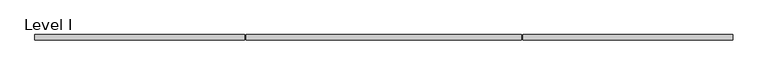
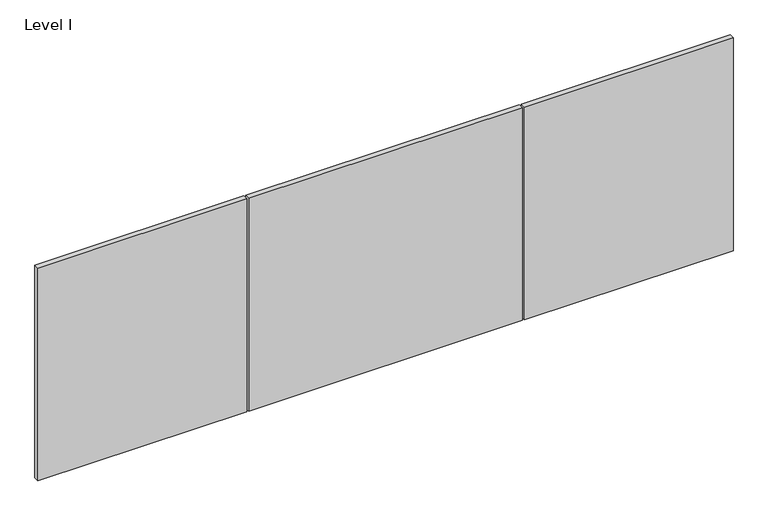
"""IFC4 building model written with IfcOpenShell, lengths in millimetres: proxy geometry, Level I."""

import ifcopenshell
import ifcopenshell.guid

model = None  # the IFC model being written
_history = None  # IfcOwnerHistory: only IFC2X3 demands one
_inside = {}  # id of a spatial element -> (the spatial element, [elements in it])
_under = {}  # id of a project, library or spatial element -> (it, [spatial elements below it])
_declared = {}  # id of a project -> (the project, [libraries it declares])
_typed = {}  # id of a type object -> (the type object, [elements of that type])
_made_of = {}  # id of a material, layer set ... -> (it, [elements and type objects made of it])


def new_model(schema):
    """Start an empty IFC model of exactly this schema.

    Asked for "IFC4X3", IfcOpenShell would pick the latest addendum, in which some entities
    have other attributes; the version numbers below select the first issue.
    IFC2X3 requires an IfcOwnerHistory on every rooted entity: one is made here for all.
    """
    global model, _history
    if schema == "IFC4X3":
        model = ifcopenshell.file(schema_version=(4, 3, 0, 0))
    else:
        model = ifcopenshell.file(schema=schema)
    _inside.clear()
    _under.clear()
    _declared.clear()
    _typed.clear()
    _made_of.clear()
    _history = None
    if model.schema == "IFC2X3":
        org = make("IfcOrganization", Name="unknown")
        user = make(
            "IfcPersonAndOrganization",
            ThePerson=make("IfcPerson", FamilyName="unknown"),
            TheOrganization=org,
        )
        app = make(
            "IfcApplication",
            ApplicationDeveloper=org,
            Version="unknown",
            ApplicationFullName="unknown",
            ApplicationIdentifier="unknown",
        )
        _history = make(
            "IfcOwnerHistory",
            OwningUser=user,
            OwningApplication=app,
            ChangeAction="ADDED",
            CreationDate=0,
        )
    return model


def make(cls, **values):
    """One entity of the class cls with the attributes given. An attribute that is None is left unset."""
    return model.create_entity(
        cls, **{name: value for name, value in values.items() if value is not None}
    )


def rooted(cls, **values):
    """An entity with a GlobalId (a new one), such as an element, a storey or a relation."""
    return make(cls, GlobalId=ifcopenshell.guid.new(), OwnerHistory=_history, **values)


def si_unit(unit_type, name, prefix=None):
    """IfcSIUnit, for example si_unit("LENGTHUNIT", "METRE", prefix="MILLI")."""
    return make("IfcSIUnit", UnitType=unit_type, Prefix=prefix, Name=name)


def assignment(units):
    """IfcUnitAssignment: the units of a project."""
    return None if units is None else make("IfcUnitAssignment", Units=units)


def point(xyz):
    """IfcCartesianPoint."""
    return None if xyz is None else make("IfcCartesianPoint", Coordinates=xyz)


def direction(xyz):
    """IfcDirection."""
    return None if xyz is None else make("IfcDirection", DirectionRatios=xyz)


def frame(location, z_axis=None, x_axis=None):
    """IfcAxis2Placement3D, a coordinate frame: its origin and axes. An axis left out is left unset."""
    return make(
        "IfcAxis2Placement3D",
        Location=point(location),
        Axis=direction(z_axis),
        RefDirection=direction(x_axis),
    )


def origin():
    """The frame at (0, 0, 0) with its axes left unset."""
    return frame((0.0, 0.0, 0.0))


def place(relative_to, where):
    """IfcLocalPlacement: puts the frame where relative to a parent placement (None: the world)."""
    return make(
        "IfcLocalPlacement", PlacementRelTo=relative_to, RelativePlacement=where
    )


def context(
    kind, dimensions, precision=None, world=None, true_north=None, identifier=None
):
    """IfcGeometricRepresentationContext, for example the 3D "Model" context."""
    return make(
        "IfcGeometricRepresentationContext",
        ContextIdentifier=identifier,
        ContextType=kind,
        CoordinateSpaceDimension=dimensions,
        Precision=precision,
        WorldCoordinateSystem=world,
        TrueNorth=true_north,
    )


def project(units=None, contexts=None):
    """IfcProject with its units and contexts."""
    return rooted(
        "IfcProject",
        Name="project",
        RepresentationContexts=contexts,
        UnitsInContext=assignment(units),
    )


def spatial(cls, under=None, at=None, **own):
    """A site, building, storey or space (cls), placed at a placement, below another one or the project."""
    s = rooted(cls, ObjectPlacement=at, **own)
    if under is not None:
        _under.setdefault(under.id(), (under, []))[1].append(s)
    return s


def polyline(points):
    """IfcPolyline through the points."""
    return make("IfcPolyline", Points=[point(p) for p in points])


def outline(outer, holes=None, kind="AREA"):
    """IfcArbitraryClosedProfileDef: a profile drawn as a closed curve; with holes, ...WithVoids."""
    if holes is None:
        return make("IfcArbitraryClosedProfileDef", ProfileType=kind, OuterCurve=outer)
    return make(
        "IfcArbitraryProfileDefWithVoids",
        ProfileType=kind,
        OuterCurve=outer,
        InnerCurves=holes,
    )


def extrude(swept, where, along, depth):
    """IfcExtrudedAreaSolid: the profile swept, set in the frame where, extruded along a direction by depth."""
    return make(
        "IfcExtrudedAreaSolid",
        SweptArea=swept,
        Position=where,
        ExtrudedDirection=direction(along),
        Depth=depth,
    )


def shape(context_of_items, identifier, shape_type, items):
    """IfcShapeRepresentation: the items that make up one representation, for example the "Body"."""
    return make(
        "IfcShapeRepresentation",
        ContextOfItems=context_of_items,
        RepresentationIdentifier=identifier,
        RepresentationType=shape_type,
        Items=items,
    )


def source(mapping_origin, context_of_items, identifier, shape_type, items):
    """IfcRepresentationMap: a shape defined once, which mapped items show again and again."""
    return make(
        "IfcRepresentationMap",
        MappingOrigin=mapping_origin,
        MappedRepresentation=shape(context_of_items, identifier, shape_type, items),
    )


def transform(
    local_origin,
    x_axis=None,
    y_axis=None,
    z_axis=None,
    scale=None,
    scale2=None,
    scale3=None,
    uniform=True,
):
    """IfcCartesianTransformationOperator3D, or its non-uniform kind. x_axis, y_axis, z_axis: its Axis1, 2, 3."""
    if uniform:
        return make(
            "IfcCartesianTransformationOperator3D",
            Axis1=direction(x_axis),
            Axis2=direction(y_axis),
            LocalOrigin=point(local_origin),
            Scale=scale,
            Axis3=direction(z_axis),
        )
    return make(
        "IfcCartesianTransformationOperator3DnonUniform",
        Axis1=direction(x_axis),
        Axis2=direction(y_axis),
        LocalOrigin=point(local_origin),
        Scale=scale,
        Axis3=direction(z_axis),
        Scale2=scale2,
        Scale3=scale3,
    )


def mapped(mapping_source, mapping_target):
    """IfcMappedItem: shows the shape of a source again, moved by a transform."""
    return make(
        "IfcMappedItem", MappingSource=mapping_source, MappingTarget=mapping_target
    )


def made_of(thing, what):
    """Note that an element or type object is made of a material, layer set ...; save() writes the relation."""
    if what is not None:
        _made_of.setdefault(what.id(), (what, []))[1].append(thing)
    return thing


def element(
    cls,
    number,
    at=None,
    inside=None,
    cuts=None,
    type_object=None,
    material=None,
    context=None,
    identifier="Body",
    shape_type=None,
    held_by="IfcProductDefinitionShape",
    body=None,
    shapes=None,
    **own,
):
    """One element of the class cls, such as IfcWall. Its Tag is "e" and its number.

    at: its placement. inside: the storey or other place that contains it. cuts: it is an
    opening in that element (IfcRelVoidsElement). A single representation is given by context,
    identifier, shape_type and body (its items); several are given by shapes. held_by: the class
    of the entity that holds the representations. save() writes the other relations.
    """
    e = rooted(cls, Tag="e%d" % number, ObjectPlacement=at, **own)
    if body is not None:
        shapes = [shape(context, identifier, shape_type, body)]
    if shapes is not None:
        e.Representation = make(held_by, Representations=shapes)
    if inside is not None:
        _inside.setdefault(inside.id(), (inside, []))[1].append(e)
    if cuts is not None:
        rooted(
            "IfcRelVoidsElement", RelatingBuildingElement=cuts, RelatedOpeningElement=e
        )
    if type_object is not None:
        _typed.setdefault(type_object.id(), (type_object, []))[1].append(e)
    return made_of(e, material)


def aggregate(whole, parts):
    """IfcRelAggregates: a whole, such as a stair, and the parts it consists of."""
    return rooted("IfcRelAggregates", RelatingObject=whole, RelatedObjects=parts)


def save(model, path):
    """Write the relations noted so far, then the file.

    IfcRelAggregates (storeys below a building ...), IfcRelContainedInSpatialStructure (elements
    in a storey), IfcRelDefinesByType, IfcRelAssociatesMaterial and IfcRelDeclares: one each for
    every whole, place, type object, material and project.
    """
    for whole, parts in _under.values():
        aggregate(whole, parts)
    for where, things in _inside.values():
        rooted(
            "IfcRelContainedInSpatialStructure",
            RelatedElements=things,
            RelatingStructure=where,
        )
    for kind, things in _typed.values():
        rooted("IfcRelDefinesByType", RelatedObjects=things, RelatingType=kind)
    for what, things in _made_of.values():
        rooted("IfcRelAssociatesMaterial", RelatedObjects=things, RelatingMaterial=what)
    for by, libraries in _declared.values():
        rooted("IfcRelDeclares", RelatingContext=by, RelatedDefinitions=libraries)
    model.write(path)


def level_i_94c8ecd2(model_context):
    return source(origin(), model_context, "Body", "SweptSolid", [
        extrude(outline(polyline([(-1252.8407125, -9.525), (-1252.8407125, 9.525), (-500.0498, 9.525), (-500.0498, -9.525), (-1252.8407125, -9.525)])), frame((0.0, 0.0, 3.175), z_axis=(0.0, 0.0, 1.0), x_axis=(1.0, 0.0, 0.0)), (0.0, 0.0, 1.0), 810.768),
        extrude(outline(polyline([(1252.8407125, 9.525), (1252.8407125, -9.525), (500.0498, -9.525), (500.0498, 9.525), (1252.8407125, 9.525)])), frame((0.0, 0.0, 3.175), z_axis=(0.0, 0.0, 1.0), x_axis=(1.0, 0.0, 0.0)), (0.0, 0.0, 1.0), 810.768),
        extrude(outline(polyline([(493.6998, -9.525), (-493.6998, -9.525), (-493.6998, 9.525), (493.6998, 9.525), (493.6998, -9.525)])), frame((0.0, 0.0, 3.175), z_axis=(0.0, 0.0, 1.0), x_axis=(1.0, 0.0, 0.0)), (0.0, 0.0, 1.0), 810.768),
    ])


if __name__ == "__main__":
    model = new_model("IFC4")
    model_context = context("Model", 3, world=origin())
    ifc_project = project(units=[si_unit("LENGTHUNIT", "METRE", prefix="MILLI")], contexts=[model_context])
    site = spatial("IfcSite", under=ifc_project)
    building = spatial("IfcBuilding", under=site)
    placement = place(None, origin())
    level_i_shape = level_i_94c8ecd2(model_context)
    element("IfcBuildingElementProxy", 1, Name="Level I", ObjectType="Level I", at=placement, inside=building, context=model_context, shape_type="MappedRepresentation", body=[
        mapped(level_i_shape, transform((0.0, 0.0, 0.0), x_axis=(1.0, 0.0, 0.0), y_axis=(0.0, 1.0, 0.0), z_axis=(0.0, 0.0, 1.0))),
    ])
    save(model, "model.ifc")
